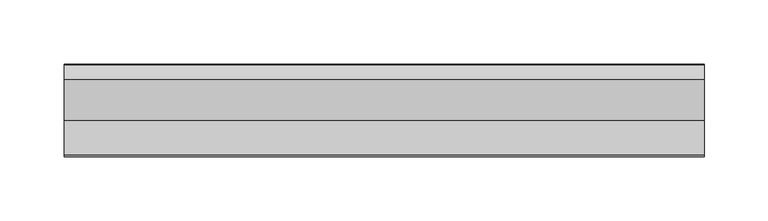
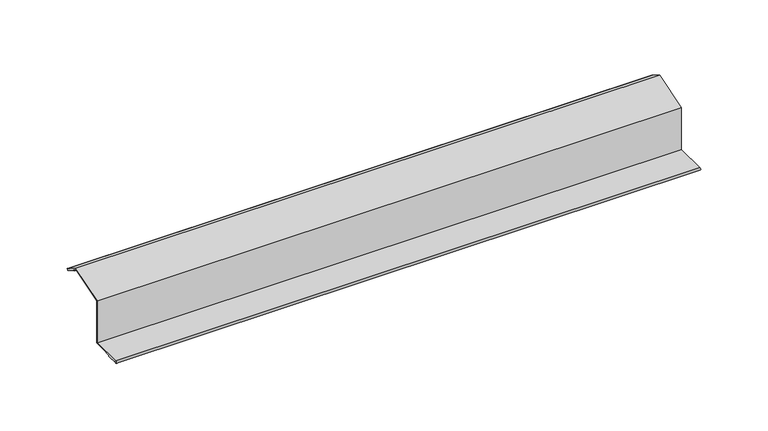
"""IFC4 building model written with IfcOpenShell, lengths in millimetres: proxy geometry."""

import ifcopenshell
import ifcopenshell.guid

model = None  # the IFC model being written
_history = None  # IfcOwnerHistory: only IFC2X3 demands one
_inside = {}  # id of a spatial element -> (the spatial element, [elements in it])
_under = {}  # id of a project, library or spatial element -> (it, [spatial elements below it])
_declared = {}  # id of a project -> (the project, [libraries it declares])
_typed = {}  # id of a type object -> (the type object, [elements of that type])
_made_of = {}  # id of a material, layer set ... -> (it, [elements and type objects made of it])


def new_model(schema):
    """Start an empty IFC model of exactly this schema.

    Asked for "IFC4X3", IfcOpenShell would pick the latest addendum, in which some entities
    have other attributes; the version numbers below select the first issue.
    IFC2X3 requires an IfcOwnerHistory on every rooted entity: one is made here for all.
    """
    global model, _history
    if schema == "IFC4X3":
        model = ifcopenshell.file(schema_version=(4, 3, 0, 0))
    else:
        model = ifcopenshell.file(schema=schema)
    _inside.clear()
    _under.clear()
    _declared.clear()
    _typed.clear()
    _made_of.clear()
    _history = None
    if model.schema == "IFC2X3":
        org = make("IfcOrganization", Name="unknown")
        user = make(
            "IfcPersonAndOrganization",
            ThePerson=make("IfcPerson", FamilyName="unknown"),
            TheOrganization=org,
        )
        app = make(
            "IfcApplication",
            ApplicationDeveloper=org,
            Version="unknown",
            ApplicationFullName="unknown",
            ApplicationIdentifier="unknown",
        )
        _history = make(
            "IfcOwnerHistory",
            OwningUser=user,
            OwningApplication=app,
            ChangeAction="ADDED",
            CreationDate=0,
        )
    return model


def make(cls, **values):
    """One entity of the class cls with the attributes given. An attribute that is None is left unset."""
    return model.create_entity(
        cls, **{name: value for name, value in values.items() if value is not None}
    )


def rooted(cls, **values):
    """An entity with a GlobalId (a new one), such as an element, a storey or a relation."""
    return make(cls, GlobalId=ifcopenshell.guid.new(), OwnerHistory=_history, **values)


def si_unit(unit_type, name, prefix=None):
    """IfcSIUnit, for example si_unit("LENGTHUNIT", "METRE", prefix="MILLI")."""
    return make("IfcSIUnit", UnitType=unit_type, Prefix=prefix, Name=name)


def assignment(units):
    """IfcUnitAssignment: the units of a project."""
    return None if units is None else make("IfcUnitAssignment", Units=units)


def point(xyz):
    """IfcCartesianPoint."""
    return None if xyz is None else make("IfcCartesianPoint", Coordinates=xyz)


def direction(xyz):
    """IfcDirection."""
    return None if xyz is None else make("IfcDirection", DirectionRatios=xyz)


def frame(location, z_axis=None, x_axis=None):
    """IfcAxis2Placement3D, a coordinate frame: its origin and axes. An axis left out is left unset."""
    return make(
        "IfcAxis2Placement3D",
        Location=point(location),
        Axis=direction(z_axis),
        RefDirection=direction(x_axis),
    )


def frame_2d(location, x_axis=None):
    """IfcAxis2Placement2D, a coordinate frame in the plane: its origin and x axis."""
    return make(
        "IfcAxis2Placement2D", Location=point(location), RefDirection=direction(x_axis)
    )


def origin():
    """The frame at (0, 0, 0) with its axes left unset."""
    return frame((0.0, 0.0, 0.0))


def place(relative_to, where):
    """IfcLocalPlacement: puts the frame where relative to a parent placement (None: the world)."""
    return make(
        "IfcLocalPlacement", PlacementRelTo=relative_to, RelativePlacement=where
    )


def context(
    kind, dimensions, precision=None, world=None, true_north=None, identifier=None
):
    """IfcGeometricRepresentationContext, for example the 3D "Model" context."""
    return make(
        "IfcGeometricRepresentationContext",
        ContextIdentifier=identifier,
        ContextType=kind,
        CoordinateSpaceDimension=dimensions,
        Precision=precision,
        WorldCoordinateSystem=world,
        TrueNorth=true_north,
    )


def project(units=None, contexts=None):
    """IfcProject with its units and contexts."""
    return rooted(
        "IfcProject",
        Name="project",
        RepresentationContexts=contexts,
        UnitsInContext=assignment(units),
    )


def spatial(cls, under=None, at=None, **own):
    """A site, building, storey or space (cls), placed at a placement, below another one or the project."""
    s = rooted(cls, ObjectPlacement=at, **own)
    if under is not None:
        _under.setdefault(under.id(), (under, []))[1].append(s)
    return s


def polyline(points):
    """IfcPolyline through the points."""
    return make("IfcPolyline", Points=[point(p) for p in points])


def circle_curve(where, radius):
    """IfcCircle in the frame where."""
    return make("IfcCircle", Position=where, Radius=radius)


def trimmed(basis, trim1, trim2, sense, master):
    """IfcTrimmedCurve: the piece of a basis curve between two trims."""
    return make(
        "IfcTrimmedCurve",
        BasisCurve=basis,
        Trim1=trim1,
        Trim2=trim2,
        SenseAgreement=sense,
        MasterRepresentation=master,
    )


def segment(curve, same_sense, transition):
    """IfcCompositeCurveSegment."""
    return make(
        "IfcCompositeCurveSegment",
        Transition=transition,
        SameSense=same_sense,
        ParentCurve=curve,
    )


def composite_curve(segments, self_intersect=None):
    """IfcCompositeCurve: segments joined end to end."""
    return make("IfcCompositeCurve", Segments=segments, SelfIntersect=self_intersect)


def outline(outer, holes=None, kind="AREA"):
    """IfcArbitraryClosedProfileDef: a profile drawn as a closed curve; with holes, ...WithVoids."""
    if holes is None:
        return make("IfcArbitraryClosedProfileDef", ProfileType=kind, OuterCurve=outer)
    return make(
        "IfcArbitraryProfileDefWithVoids",
        ProfileType=kind,
        OuterCurve=outer,
        InnerCurves=holes,
    )


def extrude(swept, where, along, depth):
    """IfcExtrudedAreaSolid: the profile swept, set in the frame where, extruded along a direction by depth."""
    return make(
        "IfcExtrudedAreaSolid",
        SweptArea=swept,
        Position=where,
        ExtrudedDirection=direction(along),
        Depth=depth,
    )


def shape(context_of_items, identifier, shape_type, items):
    """IfcShapeRepresentation: the items that make up one representation, for example the "Body"."""
    return make(
        "IfcShapeRepresentation",
        ContextOfItems=context_of_items,
        RepresentationIdentifier=identifier,
        RepresentationType=shape_type,
        Items=items,
    )


def source(mapping_origin, context_of_items, identifier, shape_type, items):
    """IfcRepresentationMap: a shape defined once, which mapped items show again and again."""
    return make(
        "IfcRepresentationMap",
        MappingOrigin=mapping_origin,
        MappedRepresentation=shape(context_of_items, identifier, shape_type, items),
    )


def transform(
    local_origin,
    x_axis=None,
    y_axis=None,
    z_axis=None,
    scale=None,
    scale2=None,
    scale3=None,
    uniform=True,
):
    """IfcCartesianTransformationOperator3D, or its non-uniform kind. x_axis, y_axis, z_axis: its Axis1, 2, 3."""
    if uniform:
        return make(
            "IfcCartesianTransformationOperator3D",
            Axis1=direction(x_axis),
            Axis2=direction(y_axis),
            LocalOrigin=point(local_origin),
            Scale=scale,
            Axis3=direction(z_axis),
        )
    return make(
        "IfcCartesianTransformationOperator3DnonUniform",
        Axis1=direction(x_axis),
        Axis2=direction(y_axis),
        LocalOrigin=point(local_origin),
        Scale=scale,
        Axis3=direction(z_axis),
        Scale2=scale2,
        Scale3=scale3,
    )


def mapped(mapping_source, mapping_target):
    """IfcMappedItem: shows the shape of a source again, moved by a transform."""
    return make(
        "IfcMappedItem", MappingSource=mapping_source, MappingTarget=mapping_target
    )


def made_of(thing, what):
    """Note that an element or type object is made of a material, layer set ...; save() writes the relation."""
    if what is not None:
        _made_of.setdefault(what.id(), (what, []))[1].append(thing)
    return thing


def element(
    cls,
    number,
    at=None,
    inside=None,
    cuts=None,
    type_object=None,
    material=None,
    context=None,
    identifier="Body",
    shape_type=None,
    held_by="IfcProductDefinitionShape",
    body=None,
    shapes=None,
    **own,
):
    """One element of the class cls, such as IfcWall. Its Tag is "e" and its number.

    at: its placement. inside: the storey or other place that contains it. cuts: it is an
    opening in that element (IfcRelVoidsElement). A single representation is given by context,
    identifier, shape_type and body (its items); several are given by shapes. held_by: the class
    of the entity that holds the representations. save() writes the other relations.
    """
    e = rooted(cls, Tag="e%d" % number, ObjectPlacement=at, **own)
    if body is not None:
        shapes = [shape(context, identifier, shape_type, body)]
    if shapes is not None:
        e.Representation = make(held_by, Representations=shapes)
    if inside is not None:
        _inside.setdefault(inside.id(), (inside, []))[1].append(e)
    if cuts is not None:
        rooted(
            "IfcRelVoidsElement", RelatingBuildingElement=cuts, RelatedOpeningElement=e
        )
    if type_object is not None:
        _typed.setdefault(type_object.id(), (type_object, []))[1].append(e)
    return made_of(e, material)


def aggregate(whole, parts):
    """IfcRelAggregates: a whole, such as a stair, and the parts it consists of."""
    return rooted("IfcRelAggregates", RelatingObject=whole, RelatedObjects=parts)


def save(model, path):
    """Write the relations noted so far, then the file.

    IfcRelAggregates (storeys below a building ...), IfcRelContainedInSpatialStructure (elements
    in a storey), IfcRelDefinesByType, IfcRelAssociatesMaterial and IfcRelDeclares: one each for
    every whole, place, type object, material and project.
    """
    for whole, parts in _under.values():
        aggregate(whole, parts)
    for where, things in _inside.values():
        rooted(
            "IfcRelContainedInSpatialStructure",
            RelatedElements=things,
            RelatingStructure=where,
        )
    for kind, things in _typed.values():
        rooted("IfcRelDefinesByType", RelatedObjects=things, RelatingType=kind)
    for what, things in _made_of.values():
        rooted("IfcRelAssociatesMaterial", RelatedObjects=things, RelatingMaterial=what)
    for by, libraries in _declared.values():
        rooted("IfcRelDeclares", RelatingContext=by, RelatedDefinitions=libraries)
    model.write(path)


def generic_models_bb5687fb(model_context):
    return source(origin(), model_context, "Body", "SweptSolid", [
        extrude(outline(composite_curve([segment(polyline([(-71.4596734, 0.8), (-43.9596734, 0.8), (-43.9596734, 38.6708577), (-11.8835216, 48.3981209), (-0.437495, 41.7897544)]), True, "CONTINUOUS"), segment(trimmed(circle_curve(frame_2d((-0.87499, 41.0319908)), 0.87499), [point((-0.437495, 41.7897544))], [point((-1.312485, 40.2742272))], False, "CARTESIAN"), True, "CONTINUOUS"), segment(polyline([(-1.312485, 40.2742272), (-9.9757366, 45.2759579), (-9.5757366, 45.9687782), (-0.9154826, 40.9687782), (-11.9851798, 47.531316), (-43.1596734, 38.0774854), (-43.1596734, 0.0), (-71.0497177, 0.0), (-61.4596734, -0.15), (-61.4596734, -0.95), (-71.4596734, -0.95)]), True, "CONTINUOUS"), segment(trimmed(circle_curve(frame_2d((-71.4596734, -0.075)), 0.875), [point((-71.4596734, -0.95))], [point((-71.4596734, 0.8))], False, "CARTESIAN"), True, "CONTINUOUS")], self_intersect=False)), frame((0.0, 0.0, 0.0), z_axis=(1.0, 0.0, 0.0), x_axis=(0.0, 1.0, 0.0)), (0.0, 0.0, 1.0), 500.0),
    ])


if __name__ == "__main__":
    model = new_model("IFC4")
    model_context = context("Model", 3, world=origin())
    ifc_project = project(units=[si_unit("LENGTHUNIT", "METRE", prefix="MILLI")], contexts=[model_context])
    site = spatial("IfcSite", under=ifc_project)
    building = spatial("IfcBuilding", under=site)
    placement = place(None, origin())
    generic_models_shape = generic_models_bb5687fb(model_context)
    element("IfcBuildingElementProxy", 1, Name="Generic Models", at=placement, inside=building, context=model_context, shape_type="MappedRepresentation", body=[
        mapped(generic_models_shape, transform((0.0, 0.0, 0.0), x_axis=(1.0, 0.0, 0.0), y_axis=(0.0, 1.0, 0.0), z_axis=(0.0, 0.0, 1.0))),
    ])
    save(model, "model.ifc")
